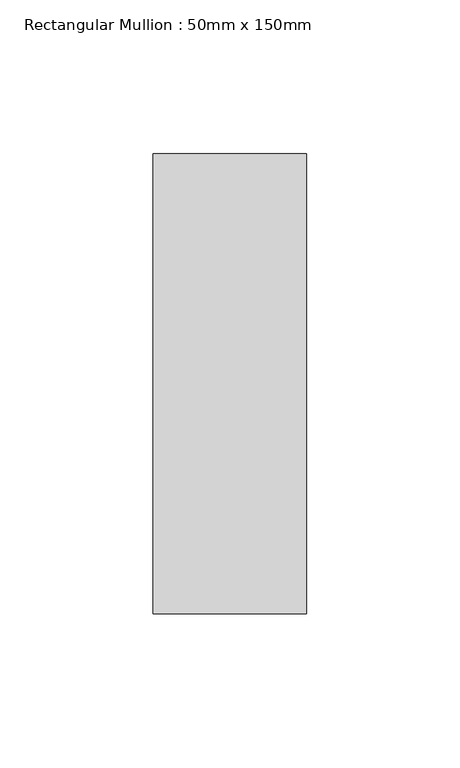
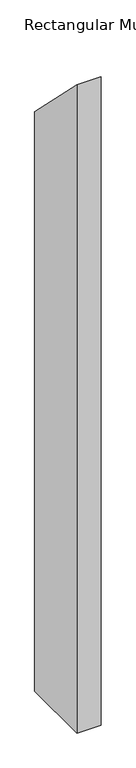
"""IFC4 building model written with IfcOpenShell, lengths in millimetres: member geometry, Rectangular Mullion : 50mm x 150mm."""

from ifc_helpers import new_model, si_unit, frame, origin, place, context, project, spatial, polyline, outline, extrude, source, transform, mapped, element, save


def rectangular_mullion_50mm_x_150mm_fa298283(model_context):
    return source(origin(), model_context, "Body", "SweptSolid", [
        extrude(outline(polyline([(-75.0, 75.0), (75.0, -75.0), (75.0, -1334.8760269), (-75.0, -1334.8760269), (-75.0, 75.0)])), frame((-50.0, 0.0, 0.0), z_axis=(1.0, 0.0, 0.0), x_axis=(0.0, 1.0, 0.0)), (0.0, 0.0, 1.0), 50.0),
    ])


if __name__ == "__main__":
    model = new_model("IFC4")
    model_context = context("Model", 3, world=origin())
    ifc_project = project(units=[si_unit("LENGTHUNIT", "METRE", prefix="MILLI")], contexts=[model_context])
    site = spatial("IfcSite", under=ifc_project)
    building = spatial("IfcBuilding", under=site)
    placement = place(None, origin())
    rectangular_mullion_50mm_x_150mm_shape = rectangular_mullion_50mm_x_150mm_fa298283(model_context)
    element("IfcMember", 1, ObjectType="Rectangular Mullion : 50mm x 150mm", at=placement, inside=building, context=model_context, shape_type="MappedRepresentation", body=[
        mapped(rectangular_mullion_50mm_x_150mm_shape, transform((0.0, 0.0, 0.0), x_axis=(1.0, 0.0, 0.0), y_axis=(0.0, 1.0, 0.0), z_axis=(0.0, 0.0, 1.0))),
    ])
    save(model, "model.ifc")
